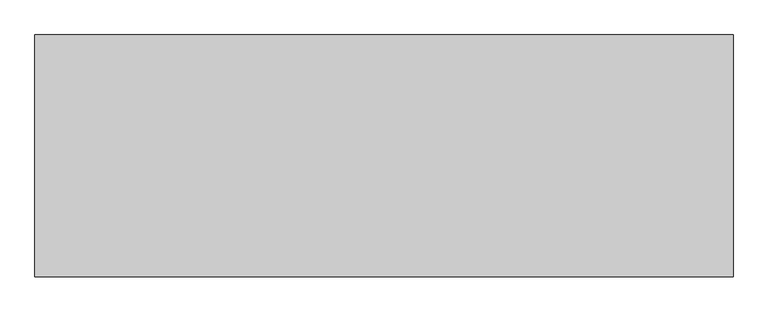
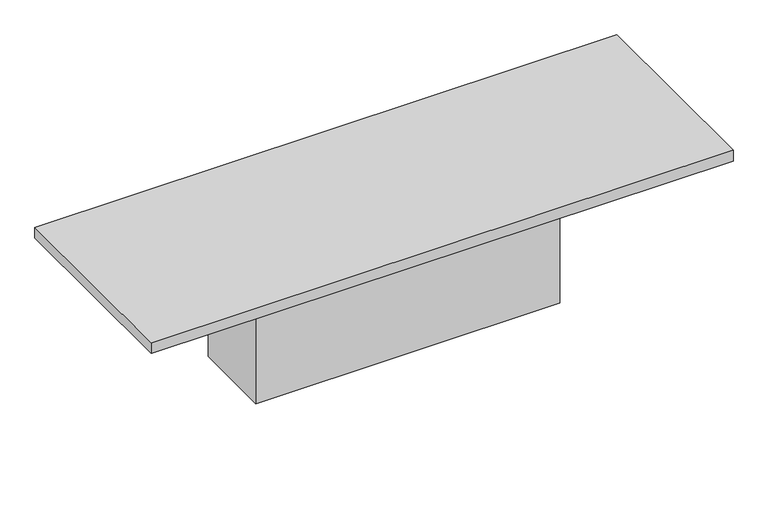
"""IFC4 building model written with IfcOpenShell, lengths in millimetres: furniture geometry."""

from ifc_helpers import new_model, si_unit, frame, origin, origin_with_axes, place, context, project, spatial, polyline, outline, extrude, source, transform, mapped, element, save


def furniture_51a63031(model_context):
    return source(origin(), model_context, "Body", "SweptSolid", [
        extrude(outline(polyline([(3016.25, 965.2), (3016.25, 406.4), (946.15, 406.4), (946.15, 965.2), (3016.25, 965.2)])), origin_with_axes(), (0.0, 0.0, 1.0), 939.8),
        extrude(outline(polyline([(3962.4, 1371.6), (3962.4, 0.0), (0.0, 0.0), (0.0, 1371.6), (3962.4, 1371.6)])), frame((0.0, 0.0, 939.8), z_axis=(0.0, 0.0, 1.0), x_axis=(1.0, 0.0, 0.0)), (0.0, 0.0, 1.0), 76.2),
    ])


if __name__ == "__main__":
    model = new_model("IFC4")
    model_context = context("Model", 3, world=origin())
    ifc_project = project(units=[si_unit("LENGTHUNIT", "METRE", prefix="MILLI")], contexts=[model_context])
    site = spatial("IfcSite", under=ifc_project)
    building = spatial("IfcBuilding", under=site)
    placement = place(None, origin())
    furniture_shape = furniture_51a63031(model_context)
    element("IfcFurniture", 1, at=placement, inside=building, context=model_context, shape_type="MappedRepresentation", body=[
        mapped(furniture_shape, transform((0.0, 0.0, 0.0), x_axis=(1.0, 0.0, 0.0), y_axis=(0.0, 1.0, 0.0), z_axis=(0.0, 0.0, 1.0))),
    ])
    save(model, "model.ifc")
